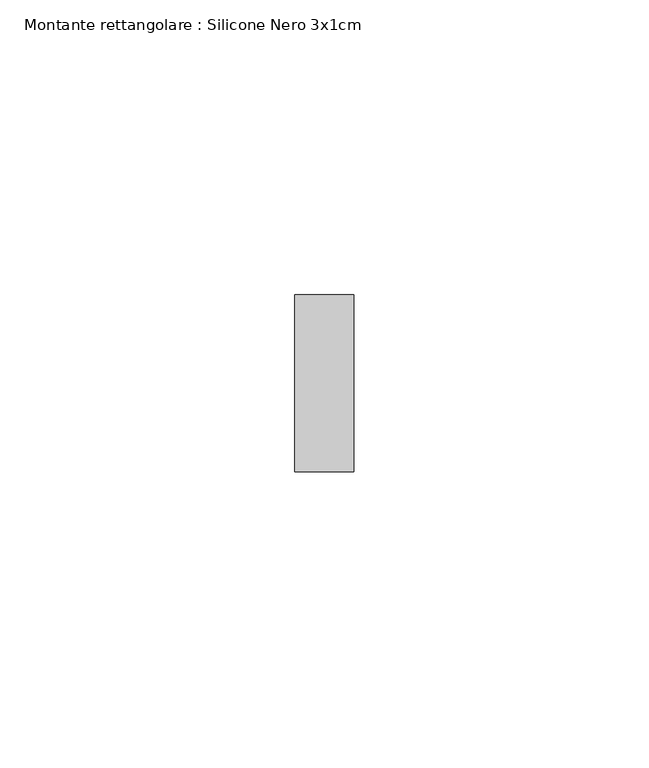
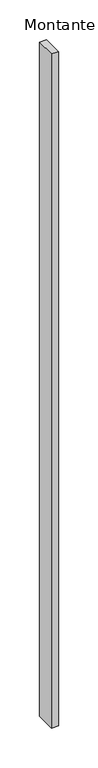
"""IFC4 building model written with IfcOpenShell, lengths in millimetres: member geometry, Montante rettangolare : Silicone Nero 3x1cm."""

import ifcopenshell
import ifcopenshell.guid

model = None  # the IFC model being written
_history = None  # IfcOwnerHistory: only IFC2X3 demands one
_inside = {}  # id of a spatial element -> (the spatial element, [elements in it])
_under = {}  # id of a project, library or spatial element -> (it, [spatial elements below it])
_declared = {}  # id of a project -> (the project, [libraries it declares])
_typed = {}  # id of a type object -> (the type object, [elements of that type])
_made_of = {}  # id of a material, layer set ... -> (it, [elements and type objects made of it])


def new_model(schema):
    """Start an empty IFC model of exactly this schema.

    Asked for "IFC4X3", IfcOpenShell would pick the latest addendum, in which some entities
    have other attributes; the version numbers below select the first issue.
    IFC2X3 requires an IfcOwnerHistory on every rooted entity: one is made here for all.
    """
    global model, _history
    if schema == "IFC4X3":
        model = ifcopenshell.file(schema_version=(4, 3, 0, 0))
    else:
        model = ifcopenshell.file(schema=schema)
    _inside.clear()
    _under.clear()
    _declared.clear()
    _typed.clear()
    _made_of.clear()
    _history = None
    if model.schema == "IFC2X3":
        org = make("IfcOrganization", Name="unknown")
        user = make(
            "IfcPersonAndOrganization",
            ThePerson=make("IfcPerson", FamilyName="unknown"),
            TheOrganization=org,
        )
        app = make(
            "IfcApplication",
            ApplicationDeveloper=org,
            Version="unknown",
            ApplicationFullName="unknown",
            ApplicationIdentifier="unknown",
        )
        _history = make(
            "IfcOwnerHistory",
            OwningUser=user,
            OwningApplication=app,
            ChangeAction="ADDED",
            CreationDate=0,
        )
    return model


def make(cls, **values):
    """One entity of the class cls with the attributes given. An attribute that is None is left unset."""
    return model.create_entity(
        cls, **{name: value for name, value in values.items() if value is not None}
    )


def rooted(cls, **values):
    """An entity with a GlobalId (a new one), such as an element, a storey or a relation."""
    return make(cls, GlobalId=ifcopenshell.guid.new(), OwnerHistory=_history, **values)


def si_unit(unit_type, name, prefix=None):
    """IfcSIUnit, for example si_unit("LENGTHUNIT", "METRE", prefix="MILLI")."""
    return make("IfcSIUnit", UnitType=unit_type, Prefix=prefix, Name=name)


def assignment(units):
    """IfcUnitAssignment: the units of a project."""
    return None if units is None else make("IfcUnitAssignment", Units=units)


def point(xyz):
    """IfcCartesianPoint."""
    return None if xyz is None else make("IfcCartesianPoint", Coordinates=xyz)


def direction(xyz):
    """IfcDirection."""
    return None if xyz is None else make("IfcDirection", DirectionRatios=xyz)


def frame(location, z_axis=None, x_axis=None):
    """IfcAxis2Placement3D, a coordinate frame: its origin and axes. An axis left out is left unset."""
    return make(
        "IfcAxis2Placement3D",
        Location=point(location),
        Axis=direction(z_axis),
        RefDirection=direction(x_axis),
    )


def origin():
    """The frame at (0, 0, 0) with its axes left unset."""
    return frame((0.0, 0.0, 0.0))


def place(relative_to, where):
    """IfcLocalPlacement: puts the frame where relative to a parent placement (None: the world)."""
    return make(
        "IfcLocalPlacement", PlacementRelTo=relative_to, RelativePlacement=where
    )


def context(
    kind, dimensions, precision=None, world=None, true_north=None, identifier=None
):
    """IfcGeometricRepresentationContext, for example the 3D "Model" context."""
    return make(
        "IfcGeometricRepresentationContext",
        ContextIdentifier=identifier,
        ContextType=kind,
        CoordinateSpaceDimension=dimensions,
        Precision=precision,
        WorldCoordinateSystem=world,
        TrueNorth=true_north,
    )


def project(units=None, contexts=None):
    """IfcProject with its units and contexts."""
    return rooted(
        "IfcProject",
        Name="project",
        RepresentationContexts=contexts,
        UnitsInContext=assignment(units),
    )


def spatial(cls, under=None, at=None, **own):
    """A site, building, storey or space (cls), placed at a placement, below another one or the project."""
    s = rooted(cls, ObjectPlacement=at, **own)
    if under is not None:
        _under.setdefault(under.id(), (under, []))[1].append(s)
    return s


def polyline(points):
    """IfcPolyline through the points."""
    return make("IfcPolyline", Points=[point(p) for p in points])


def outline(outer, holes=None, kind="AREA"):
    """IfcArbitraryClosedProfileDef: a profile drawn as a closed curve; with holes, ...WithVoids."""
    if holes is None:
        return make("IfcArbitraryClosedProfileDef", ProfileType=kind, OuterCurve=outer)
    return make(
        "IfcArbitraryProfileDefWithVoids",
        ProfileType=kind,
        OuterCurve=outer,
        InnerCurves=holes,
    )


def extrude(swept, where, along, depth):
    """IfcExtrudedAreaSolid: the profile swept, set in the frame where, extruded along a direction by depth."""
    return make(
        "IfcExtrudedAreaSolid",
        SweptArea=swept,
        Position=where,
        ExtrudedDirection=direction(along),
        Depth=depth,
    )


def shape(context_of_items, identifier, shape_type, items):
    """IfcShapeRepresentation: the items that make up one representation, for example the "Body"."""
    return make(
        "IfcShapeRepresentation",
        ContextOfItems=context_of_items,
        RepresentationIdentifier=identifier,
        RepresentationType=shape_type,
        Items=items,
    )


def source(mapping_origin, context_of_items, identifier, shape_type, items):
    """IfcRepresentationMap: a shape defined once, which mapped items show again and again."""
    return make(
        "IfcRepresentationMap",
        MappingOrigin=mapping_origin,
        MappedRepresentation=shape(context_of_items, identifier, shape_type, items),
    )


def transform(
    local_origin,
    x_axis=None,
    y_axis=None,
    z_axis=None,
    scale=None,
    scale2=None,
    scale3=None,
    uniform=True,
):
    """IfcCartesianTransformationOperator3D, or its non-uniform kind. x_axis, y_axis, z_axis: its Axis1, 2, 3."""
    if uniform:
        return make(
            "IfcCartesianTransformationOperator3D",
            Axis1=direction(x_axis),
            Axis2=direction(y_axis),
            LocalOrigin=point(local_origin),
            Scale=scale,
            Axis3=direction(z_axis),
        )
    return make(
        "IfcCartesianTransformationOperator3DnonUniform",
        Axis1=direction(x_axis),
        Axis2=direction(y_axis),
        LocalOrigin=point(local_origin),
        Scale=scale,
        Axis3=direction(z_axis),
        Scale2=scale2,
        Scale3=scale3,
    )


def mapped(mapping_source, mapping_target):
    """IfcMappedItem: shows the shape of a source again, moved by a transform."""
    return make(
        "IfcMappedItem", MappingSource=mapping_source, MappingTarget=mapping_target
    )


def made_of(thing, what):
    """Note that an element or type object is made of a material, layer set ...; save() writes the relation."""
    if what is not None:
        _made_of.setdefault(what.id(), (what, []))[1].append(thing)
    return thing


def element(
    cls,
    number,
    at=None,
    inside=None,
    cuts=None,
    type_object=None,
    material=None,
    context=None,
    identifier="Body",
    shape_type=None,
    held_by="IfcProductDefinitionShape",
    body=None,
    shapes=None,
    **own,
):
    """One element of the class cls, such as IfcWall. Its Tag is "e" and its number.

    at: its placement. inside: the storey or other place that contains it. cuts: it is an
    opening in that element (IfcRelVoidsElement). A single representation is given by context,
    identifier, shape_type and body (its items); several are given by shapes. held_by: the class
    of the entity that holds the representations. save() writes the other relations.
    """
    e = rooted(cls, Tag="e%d" % number, ObjectPlacement=at, **own)
    if body is not None:
        shapes = [shape(context, identifier, shape_type, body)]
    if shapes is not None:
        e.Representation = make(held_by, Representations=shapes)
    if inside is not None:
        _inside.setdefault(inside.id(), (inside, []))[1].append(e)
    if cuts is not None:
        rooted(
            "IfcRelVoidsElement", RelatingBuildingElement=cuts, RelatedOpeningElement=e
        )
    if type_object is not None:
        _typed.setdefault(type_object.id(), (type_object, []))[1].append(e)
    return made_of(e, material)


def aggregate(whole, parts):
    """IfcRelAggregates: a whole, such as a stair, and the parts it consists of."""
    return rooted("IfcRelAggregates", RelatingObject=whole, RelatedObjects=parts)


def save(model, path):
    """Write the relations noted so far, then the file.

    IfcRelAggregates (storeys below a building ...), IfcRelContainedInSpatialStructure (elements
    in a storey), IfcRelDefinesByType, IfcRelAssociatesMaterial and IfcRelDeclares: one each for
    every whole, place, type object, material and project.
    """
    for whole, parts in _under.values():
        aggregate(whole, parts)
    for where, things in _inside.values():
        rooted(
            "IfcRelContainedInSpatialStructure",
            RelatedElements=things,
            RelatingStructure=where,
        )
    for kind, things in _typed.values():
        rooted("IfcRelDefinesByType", RelatedObjects=things, RelatingType=kind)
    for what, things in _made_of.values():
        rooted("IfcRelAssociatesMaterial", RelatedObjects=things, RelatingMaterial=what)
    for by, libraries in _declared.values():
        rooted("IfcRelDeclares", RelatingContext=by, RelatedDefinitions=libraries)
    model.write(path)


def montante_rettangolare_silicone_nero_3x1cm_473d683b(model_context):
    return source(origin(), model_context, "Body", "SweptSolid", [
        extrude(outline(polyline([(5.0, 30.0), (5.0, 0.0), (-5.0, 0.0), (-5.0, 30.0), (5.0, 30.0)])), frame((0.0, 0.0, -1033.3333333), z_axis=(0.0, 0.0, 1.0), x_axis=(1.0, 0.0, 0.0)), (0.0, 0.0, 1.0), 1033.3333333),
    ])


if __name__ == "__main__":
    model = new_model("IFC4")
    model_context = context("Model", 3, world=origin())
    ifc_project = project(units=[si_unit("LENGTHUNIT", "METRE", prefix="MILLI")], contexts=[model_context])
    site = spatial("IfcSite", under=ifc_project)
    building = spatial("IfcBuilding", under=site)
    placement = place(None, origin())
    montante_rettangolare_silicone_nero_3x1cm_shape = montante_rettangolare_silicone_nero_3x1cm_473d683b(model_context)
    element("IfcMember", 1, ObjectType="Montante rettangolare : Silicone Nero 3x1cm", at=placement, inside=building, context=model_context, shape_type="MappedRepresentation", body=[
        mapped(montante_rettangolare_silicone_nero_3x1cm_shape, transform((0.0, 0.0, 0.0), x_axis=(1.0, 0.0, 0.0), y_axis=(0.0, 1.0, 0.0), z_axis=(0.0, 0.0, 1.0))),
    ])
    save(model, "model.ifc")
